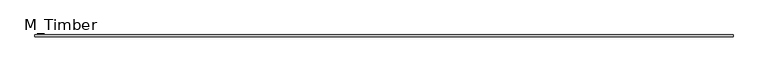
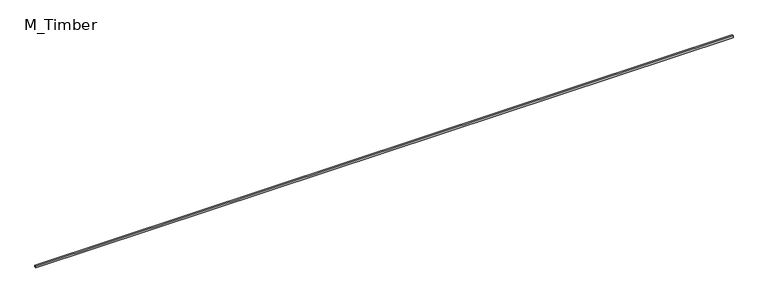
"""IFC4 building model written with IfcOpenShell, lengths in millimetres: beam geometry, M_Timber."""

from ifc_helpers import new_model, si_unit, frame, origin, place, context, project, spatial, polyline, outline, extrude, source, transform, mapped, element, save


def m_timber_f86bd6cd(model_context):
    return source(origin(), model_context, "Body", "SweptSolid", [
        extrude(outline(polyline([(8168.0131059, 20.0), (8168.0131059, -20.0), (-8168.0131059, -20.0), (-8168.0131059, 20.0), (8168.0131059, 20.0)])), frame((0.0, 0.0, -20.0), z_axis=(0.0, 0.0, 1.0), x_axis=(1.0, 0.0, 0.0)), (0.0, 0.0, 1.0), 40.0),
    ])


if __name__ == "__main__":
    model = new_model("IFC4")
    model_context = context("Model", 3, world=origin())
    ifc_project = project(units=[si_unit("LENGTHUNIT", "METRE", prefix="MILLI")], contexts=[model_context])
    site = spatial("IfcSite", under=ifc_project)
    building = spatial("IfcBuilding", under=site)
    placement = place(None, origin())
    m_timber_shape = m_timber_f86bd6cd(model_context)
    element("IfcBeam", 1, ObjectType="M_Timber", at=placement, inside=building, context=model_context, shape_type="MappedRepresentation", body=[
        mapped(m_timber_shape, transform((0.0, 0.0, 0.0), x_axis=(1.0, 0.0, 0.0), y_axis=(0.0, 1.0, 0.0), z_axis=(0.0, 0.0, 1.0))),
    ])
    save(model, "model.ifc")
